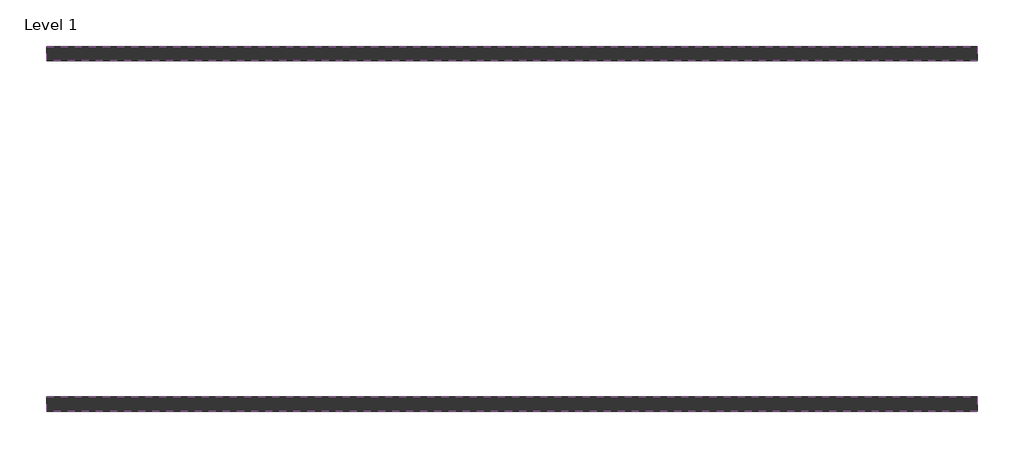
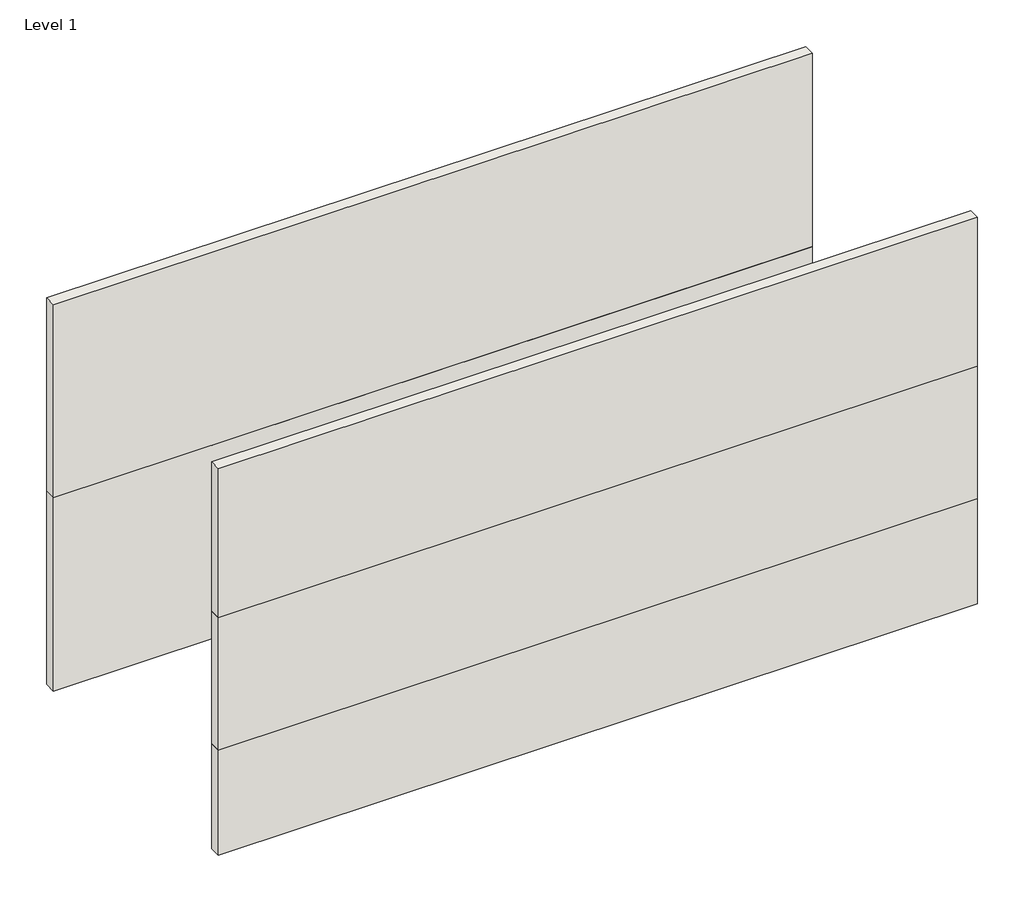
# One storey: 5 walls.
"""IFC4 building model written with IfcOpenShell, lengths in millimetres."""

from ifc_helpers import new_model, si_unit, frame, origin, origin_with_axes, place, context, project, spatial, polyline, outline, extrude, element, save

model = new_model("IFC4")

# Units and contexts
model_context = context("Model", 3, world=origin())
ifc_project = project(units=[si_unit("LENGTHUNIT", "METRE", prefix="MILLI")], contexts=[model_context])

# Site, building, storey
site = spatial("IfcSite", under=ifc_project)
building = spatial("IfcBuilding", under=site)
storey = spatial("IfcBuildingStorey", under=building, Name="Level 1", Elevation=0.0)

# Walls
placement = place(None, origin())
element("IfcWall", 1, ObjectType="Generic - 200mm", at=placement, inside=storey, context=model_context, shape_type="SweptSolid", body=[
    extrude(outline(polyline([(5787.6897919, -1255.8763095), (-7212.3102081, -1255.8763095), (-7212.3102081, -1055.8763095), (5787.6897919, -1055.8763095), (5787.6897919, -1255.8763095)])), origin_with_axes(), (0.0, 0.0, 1.0), 1900.0),
])
element("IfcWall", 2, ObjectType="Generic - 200mm", at=placement, inside=storey, context=model_context, shape_type="SweptSolid", body=[
    extrude(outline(polyline([(5787.6897919, 3644.1236905), (-7212.3102081, 3644.1236905), (-7212.3102081, 3844.1236905), (5787.6897919, 3844.1236905), (5787.6897919, 3644.1236905)])), origin_with_axes(), (0.0, 0.0, 1.0), 3500.0),
])
element("IfcWall", 3, ObjectType="Generic - 200mm", at=placement, inside=storey, context=model_context, shape_type="SweptSolid", body=[
    extrude(outline(polyline([(5787.6897919, 3644.1236905), (-7212.3102081, 3644.1236905), (-7212.3102081, 3844.1236905), (5787.6897919, 3844.1236905), (5787.6897919, 3644.1236905)])), frame((0.0, 0.0, 3500.0), z_axis=(0.0, 0.0, 1.0), x_axis=(1.0, 0.0, 0.0)), (0.0, 0.0, 1.0), 3500.0),
])
element("IfcWall", 4, ObjectType="Generic - 200mm", at=placement, inside=storey, context=model_context, shape_type="SweptSolid", body=[
    extrude(outline(polyline([(5787.6897919, -1255.8763095), (-7212.3102081, -1255.8763095), (-7212.3102081, -1055.8763095), (5787.6897919, -1055.8763095), (5787.6897919, -1255.8763095)])), frame((0.0, 0.0, 1900.0), z_axis=(0.0, 0.0, 1.0), x_axis=(1.0, 0.0, 0.0)), (0.0, 0.0, 1.0), 2400.0),
])
element("IfcWall", 5, ObjectType="Generic - 200mm", at=placement, inside=storey, context=model_context, shape_type="SweptSolid", body=[
    extrude(outline(polyline([(5787.6897919, -1255.8763095), (-7212.3102081, -1255.8763095), (-7212.3102081, -1055.8763095), (5787.6897919, -1055.8763095), (5787.6897919, -1255.8763095)])), frame((0.0, 0.0, 4300.0), z_axis=(0.0, 0.0, 1.0), x_axis=(1.0, 0.0, 0.0)), (0.0, 0.0, 1.0), 2700.0),
])

save(model, "model.ifc")
